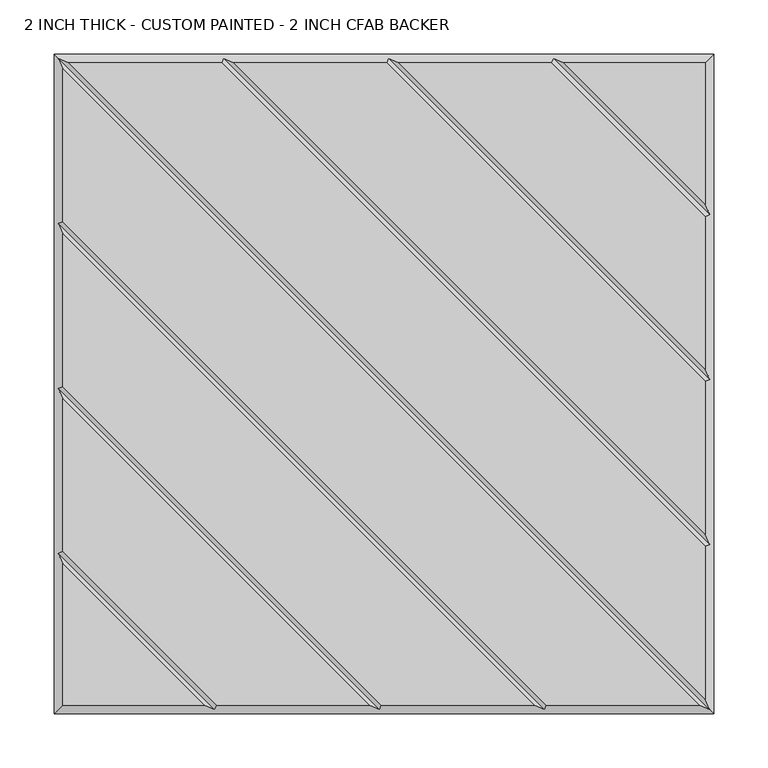
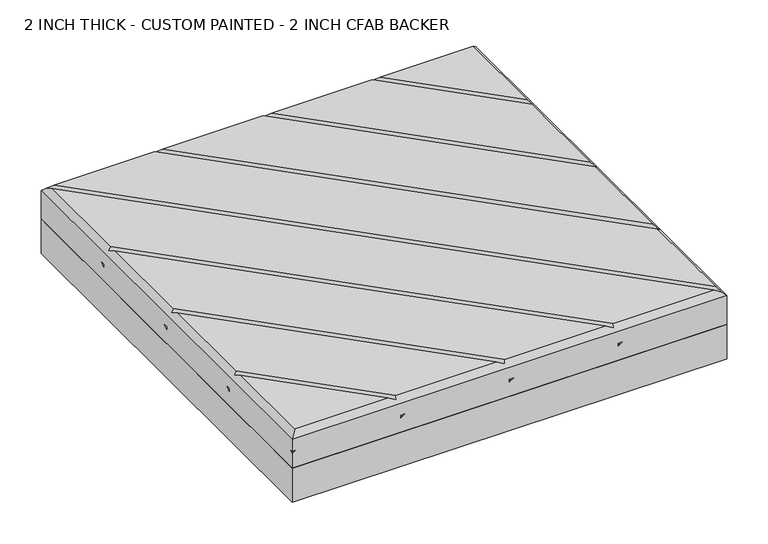
"""IFC4 building model written with IfcOpenShell, lengths in millimetres: proxy geometry, 2 INCH THICK - CUSTOM PAINTED - 2 INCH CFAB BACKER."""

import ifcopenshell
import ifcopenshell.guid

model = None  # the IFC model being written
_history = None  # IfcOwnerHistory: only IFC2X3 demands one
_inside = {}  # id of a spatial element -> (the spatial element, [elements in it])
_under = {}  # id of a project, library or spatial element -> (it, [spatial elements below it])
_declared = {}  # id of a project -> (the project, [libraries it declares])
_typed = {}  # id of a type object -> (the type object, [elements of that type])
_made_of = {}  # id of a material, layer set ... -> (it, [elements and type objects made of it])


def new_model(schema):
    """Start an empty IFC model of exactly this schema.

    Asked for "IFC4X3", IfcOpenShell would pick the latest addendum, in which some entities
    have other attributes; the version numbers below select the first issue.
    IFC2X3 requires an IfcOwnerHistory on every rooted entity: one is made here for all.
    """
    global model, _history
    if schema == "IFC4X3":
        model = ifcopenshell.file(schema_version=(4, 3, 0, 0))
    else:
        model = ifcopenshell.file(schema=schema)
    _inside.clear()
    _under.clear()
    _declared.clear()
    _typed.clear()
    _made_of.clear()
    _history = None
    if model.schema == "IFC2X3":
        org = make("IfcOrganization", Name="unknown")
        user = make(
            "IfcPersonAndOrganization",
            ThePerson=make("IfcPerson", FamilyName="unknown"),
            TheOrganization=org,
        )
        app = make(
            "IfcApplication",
            ApplicationDeveloper=org,
            Version="unknown",
            ApplicationFullName="unknown",
            ApplicationIdentifier="unknown",
        )
        _history = make(
            "IfcOwnerHistory",
            OwningUser=user,
            OwningApplication=app,
            ChangeAction="ADDED",
            CreationDate=0,
        )
    return model


def make(cls, **values):
    """One entity of the class cls with the attributes given. An attribute that is None is left unset."""
    return model.create_entity(
        cls, **{name: value for name, value in values.items() if value is not None}
    )


def rooted(cls, **values):
    """An entity with a GlobalId (a new one), such as an element, a storey or a relation."""
    return make(cls, GlobalId=ifcopenshell.guid.new(), OwnerHistory=_history, **values)


def si_unit(unit_type, name, prefix=None):
    """IfcSIUnit, for example si_unit("LENGTHUNIT", "METRE", prefix="MILLI")."""
    return make("IfcSIUnit", UnitType=unit_type, Prefix=prefix, Name=name)


def assignment(units):
    """IfcUnitAssignment: the units of a project."""
    return None if units is None else make("IfcUnitAssignment", Units=units)


def point(xyz):
    """IfcCartesianPoint."""
    return None if xyz is None else make("IfcCartesianPoint", Coordinates=xyz)


def direction(xyz):
    """IfcDirection."""
    return None if xyz is None else make("IfcDirection", DirectionRatios=xyz)


def frame(location, z_axis=None, x_axis=None):
    """IfcAxis2Placement3D, a coordinate frame: its origin and axes. An axis left out is left unset."""
    return make(
        "IfcAxis2Placement3D",
        Location=point(location),
        Axis=direction(z_axis),
        RefDirection=direction(x_axis),
    )


def origin():
    """The frame at (0, 0, 0) with its axes left unset."""
    return frame((0.0, 0.0, 0.0))


def place(relative_to, where):
    """IfcLocalPlacement: puts the frame where relative to a parent placement (None: the world)."""
    return make(
        "IfcLocalPlacement", PlacementRelTo=relative_to, RelativePlacement=where
    )


def context(
    kind, dimensions, precision=None, world=None, true_north=None, identifier=None
):
    """IfcGeometricRepresentationContext, for example the 3D "Model" context."""
    return make(
        "IfcGeometricRepresentationContext",
        ContextIdentifier=identifier,
        ContextType=kind,
        CoordinateSpaceDimension=dimensions,
        Precision=precision,
        WorldCoordinateSystem=world,
        TrueNorth=true_north,
    )


def project(units=None, contexts=None):
    """IfcProject with its units and contexts."""
    return rooted(
        "IfcProject",
        Name="project",
        RepresentationContexts=contexts,
        UnitsInContext=assignment(units),
    )


def spatial(cls, under=None, at=None, **own):
    """A site, building, storey or space (cls), placed at a placement, below another one or the project."""
    s = rooted(cls, ObjectPlacement=at, **own)
    if under is not None:
        _under.setdefault(under.id(), (under, []))[1].append(s)
    return s


def polyline(points):
    """IfcPolyline through the points."""
    return make("IfcPolyline", Points=[point(p) for p in points])


def outline(outer, holes=None, kind="AREA"):
    """IfcArbitraryClosedProfileDef: a profile drawn as a closed curve; with holes, ...WithVoids."""
    if holes is None:
        return make("IfcArbitraryClosedProfileDef", ProfileType=kind, OuterCurve=outer)
    return make(
        "IfcArbitraryProfileDefWithVoids",
        ProfileType=kind,
        OuterCurve=outer,
        InnerCurves=holes,
    )


def extrude(swept, where, along, depth):
    """IfcExtrudedAreaSolid: the profile swept, set in the frame where, extruded along a direction by depth."""
    return make(
        "IfcExtrudedAreaSolid",
        SweptArea=swept,
        Position=where,
        ExtrudedDirection=direction(along),
        Depth=depth,
    )


def faces_of(points, faces, orient=None, outer=None):
    """IfcFace entities. A face is a list of loops; a loop is a list of indices into points, from 0.

    orient and outer hold one flag for each loop. By default every Orientation is true, the
    first loop of a face is its IfcFaceOuterBound and the others are IfcFaceBound.
    """
    made = []
    for i, loops in enumerate(faces):
        bounds = []
        for j, loop in enumerate(loops):
            is_outer = j == 0 if outer is None else outer[i][j]
            bounds.append(
                make(
                    "IfcFaceOuterBound" if is_outer else "IfcFaceBound",
                    Bound=make("IfcPolyLoop", Polygon=[points[k] for k in loop]),
                    Orientation=True if orient is None else orient[i][j],
                )
            )
        made.append(make("IfcFace", Bounds=bounds))
    return made


def faceted_brep(points, faces, orient=None, outer=None, voids=None):
    """IfcFacetedBrep: a solid bounded by flat faces; with voids (closed shells), ...WithVoids."""
    shared = [point(p) for p in points]
    hull = make("IfcClosedShell", CfsFaces=faces_of(shared, faces, orient, outer))
    if voids is None:
        return make("IfcFacetedBrep", Outer=hull)
    return make(
        "IfcFacetedBrepWithVoids",
        Outer=hull,
        Voids=[
            make(cls, CfsFaces=faces_of(shared, fs, o, b)) for cls, fs, o, b in voids
        ],
    )


def shape(context_of_items, identifier, shape_type, items):
    """IfcShapeRepresentation: the items that make up one representation, for example the "Body"."""
    return make(
        "IfcShapeRepresentation",
        ContextOfItems=context_of_items,
        RepresentationIdentifier=identifier,
        RepresentationType=shape_type,
        Items=items,
    )


def source(mapping_origin, context_of_items, identifier, shape_type, items):
    """IfcRepresentationMap: a shape defined once, which mapped items show again and again."""
    return make(
        "IfcRepresentationMap",
        MappingOrigin=mapping_origin,
        MappedRepresentation=shape(context_of_items, identifier, shape_type, items),
    )


def transform(
    local_origin,
    x_axis=None,
    y_axis=None,
    z_axis=None,
    scale=None,
    scale2=None,
    scale3=None,
    uniform=True,
):
    """IfcCartesianTransformationOperator3D, or its non-uniform kind. x_axis, y_axis, z_axis: its Axis1, 2, 3."""
    if uniform:
        return make(
            "IfcCartesianTransformationOperator3D",
            Axis1=direction(x_axis),
            Axis2=direction(y_axis),
            LocalOrigin=point(local_origin),
            Scale=scale,
            Axis3=direction(z_axis),
        )
    return make(
        "IfcCartesianTransformationOperator3DnonUniform",
        Axis1=direction(x_axis),
        Axis2=direction(y_axis),
        LocalOrigin=point(local_origin),
        Scale=scale,
        Axis3=direction(z_axis),
        Scale2=scale2,
        Scale3=scale3,
    )


def mapped(mapping_source, mapping_target):
    """IfcMappedItem: shows the shape of a source again, moved by a transform."""
    return make(
        "IfcMappedItem", MappingSource=mapping_source, MappingTarget=mapping_target
    )


def made_of(thing, what):
    """Note that an element or type object is made of a material, layer set ...; save() writes the relation."""
    if what is not None:
        _made_of.setdefault(what.id(), (what, []))[1].append(thing)
    return thing


def element(
    cls,
    number,
    at=None,
    inside=None,
    cuts=None,
    type_object=None,
    material=None,
    context=None,
    identifier="Body",
    shape_type=None,
    held_by="IfcProductDefinitionShape",
    body=None,
    shapes=None,
    **own,
):
    """One element of the class cls, such as IfcWall. Its Tag is "e" and its number.

    at: its placement. inside: the storey or other place that contains it. cuts: it is an
    opening in that element (IfcRelVoidsElement). A single representation is given by context,
    identifier, shape_type and body (its items); several are given by shapes. held_by: the class
    of the entity that holds the representations. save() writes the other relations.
    """
    e = rooted(cls, Tag="e%d" % number, ObjectPlacement=at, **own)
    if body is not None:
        shapes = [shape(context, identifier, shape_type, body)]
    if shapes is not None:
        e.Representation = make(held_by, Representations=shapes)
    if inside is not None:
        _inside.setdefault(inside.id(), (inside, []))[1].append(e)
    if cuts is not None:
        rooted(
            "IfcRelVoidsElement", RelatingBuildingElement=cuts, RelatedOpeningElement=e
        )
    if type_object is not None:
        _typed.setdefault(type_object.id(), (type_object, []))[1].append(e)
    return made_of(e, material)


def aggregate(whole, parts):
    """IfcRelAggregates: a whole, such as a stair, and the parts it consists of."""
    return rooted("IfcRelAggregates", RelatingObject=whole, RelatedObjects=parts)


def save(model, path):
    """Write the relations noted so far, then the file.

    IfcRelAggregates (storeys below a building ...), IfcRelContainedInSpatialStructure (elements
    in a storey), IfcRelDefinesByType, IfcRelAssociatesMaterial and IfcRelDeclares: one each for
    every whole, place, type object, material and project.
    """
    for whole, parts in _under.values():
        aggregate(whole, parts)
    for where, things in _inside.values():
        rooted(
            "IfcRelContainedInSpatialStructure",
            RelatedElements=things,
            RelatingStructure=where,
        )
    for kind, things in _typed.values():
        rooted("IfcRelDefinesByType", RelatedObjects=things, RelatingType=kind)
    for what, things in _made_of.values():
        rooted("IfcRelAssociatesMaterial", RelatedObjects=things, RelatingMaterial=what)
    for by, libraries in _declared.values():
        rooted("IfcRelDeclares", RelatingContext=by, RelatedDefinitions=libraries)
    model.write(path)


def proxy_2_inch_thick_custom_painted_2_inch_cfab_backer_b68ef446(model_context):
    return source(origin(), model_context, "Body", "SolidModel", [
        extrude(outline(polyline([(-304.8, 304.8), (304.8, 304.8), (304.8, -304.8), (-304.8, -304.8), (-304.8, 304.8)])), frame((0.0, 0.0, -50.8), z_axis=(0.0, 0.0, 1.0), x_axis=(1.0, 0.0, 0.0)), (0.0, 0.0, 1.0), 50.8),
        faceted_brep([(296.799, 154.7434623, 50.8), (154.743415, 296.799, 50.8), (13.6585378, 296.799, 50.8), (296.799, 13.658585, 50.8), (296.799, 2.3434632, 50.8), (2.3434141, 296.799, 50.8), (-138.7414628, 296.799, 50.8), (296.799, -138.7414144, 50.8), (296.799, -150.0565365, 50.8), (-150.0565862, 296.799, 50.8), (-291.1414386, 296.799, 50.8), (296.799, -291.1414386, 50.8), (291.1414386, -296.799, 50.8), (-296.799, 291.1414386, 50.8), (-296.799, 150.0565868, 50.8), (150.0565868, -296.799, 50.8), (138.741464, -296.799, 50.8), (-296.799, 138.741464, 50.8), (-296.799, -2.3434137, 50.8), (-2.3434382, -296.799, 50.8), (-13.6585605, -296.799, 50.8), (-296.799, -13.6585369, 50.8), (-296.799, -154.7434305, 50.8), (-154.743904, -296.799, 50.8), (296.799, 296.799, 50.8), (166.0585396, 296.799, 50.8), (296.799, 166.0585831, 50.8), (-296.799, -166.0585721, 50.8), (-296.799, -296.799, 50.8), (-166.0590079, -296.799, 50.8), (-304.8, 304.8, 0.0), (304.8, 304.8, 0.0), (304.8, -304.8, 0.0), (-304.8, -304.8, 0.0), (-304.8, -304.8, 21.3995359), (-304.8, -299.1424894, 25.4), (-304.8, -304.8, 25.4), (-304.8, -304.8, 42.799), (-304.8, 304.8, 42.799), (-304.8, -152.3999238, 21.3996078), (-304.8, -146.7425148, 25.4), (-304.8, -152.3999238, 25.4), (-304.8, 7.62e-05, 21.3996078), (-304.8, 5.6574852, 25.4), (-304.8, 7.62e-05, 25.4), (-304.8, 152.4000762, 21.3996078), (-304.8, 158.0574852, 25.4), (-304.8, 152.4000762, 25.4), (304.8, -304.8, 42.799), (-299.1423878, -304.8, 25.4), (-146.7424132, -304.8, 25.4), (-152.3999577, -304.8, 21.399512), (-152.3999238, -304.8, 25.4), (5.6575868, -304.8, 25.4), (4.23e-05, -304.8, 21.399512), (7.62e-05, -304.8, 25.4), (158.0575868, -304.8, 25.4), (152.4000423, -304.8, 21.399512), (152.4000762, -304.8, 25.4), (304.8, 304.8, 21.3995359), (304.8, 299.1423878, 25.4), (304.8, 304.8, 25.4), (304.8, 304.8, 42.799), (304.8, 152.4000762, 25.4), (304.8, 152.4000762, 21.3995), (304.8, 146.7424132, 25.4), (304.8, 7.62e-05, 25.4), (304.8, 7.62e-05, 21.3995), (304.8, -5.6575868, 25.4), (304.8, -152.3999238, 25.4), (304.8, -152.3999238, 21.3995), (304.8, -158.0575868, 25.4), (299.1424894, 304.8, 25.4), (152.4000762, 304.8, 21.3995), (152.4000762, 304.8, 25.4), (146.7425148, 304.8, 25.4), (7.62e-05, 304.8, 21.3995), (7.62e-05, 304.8, 25.4), (-5.6574852, 304.8, 25.4), (-152.3999238, 304.8, 21.3995), (-152.3999238, 304.8, 25.4), (-158.0574852, 304.8, 25.4), (-300.7995, 300.7995, 46.7995), (-148.399525, 300.7995, 46.7995), (4.0004753, 300.7995, 46.7995), (156.4004759, 300.7995, 46.7995), (-300.7995, -156.4004879, 46.7995), (-300.7995, -4.0004749, 46.7995), (-300.7995, 148.3995254, 46.7995), (300.7995, -300.7995, 46.7995), (148.3995254, -300.7995, 46.7995), (-4.0004997, -300.7995, 46.7995), (-156.4009693, -300.7995, 46.7995), (300.7995, 156.4005241, 46.7995), (300.7995, 4.0005247, 46.7995), (300.7995, -148.399475, 46.7995), (301.9712701, 155.2288061, 25.4), (-155.2287299, -301.9711939, 25.4), (301.9712701, 2.8288061, 25.4), (-2.8287299, -301.9711939, 25.4), (301.9712701, -149.5711939, 25.4), (149.5712701, -301.9711939, 25.4), (155.2288569, 301.9712193, 25.4), (-301.9711431, -155.2287807, 25.4), (2.8288569, 301.9712193, 25.4), (-301.9711431, -2.8287807, 25.4), (-149.5711431, 301.9712193, 25.4), (-301.9711431, 149.5712193, 25.4)], [[[0, 1, 2, 3]], [[4, 5, 6, 7]], [[8, 9, 10, 11]], [[12, 13, 14, 15]], [[16, 17, 18, 19]], [[20, 21, 22, 23]], [[24, 25, 26]], [[27, 28, 29]], [[30, 31, 32, 33]], [[30, 33, 34, 35, 36, 37, 38], [39, 40, 41], [42, 43, 44], [45, 46, 47]], [[33, 32, 48, 37, 36, 49, 34], [50, 51, 52], [53, 54, 55], [56, 57, 58]], [[32, 31, 59, 60, 61, 62, 48], [63, 64, 65], [66, 67, 68], [69, 70, 71]], [[31, 30, 38, 62, 61, 72, 59], [73, 74, 75], [76, 77, 78], [79, 80, 81]], [[24, 62, 38, 82, 10, 9, 83, 6, 5, 84, 2, 1, 85, 25]], [[37, 28, 27, 86, 22, 21, 87, 18, 17, 88, 14, 13, 82, 38]], [[28, 37, 48, 89, 12, 15, 90, 16, 19, 91, 20, 23, 92, 29]], [[62, 24, 26, 93, 0, 3, 94, 4, 7, 95, 8, 11, 89, 48]], [[34, 59, 72, 35]], [[59, 34, 49, 60]], [[64, 96, 97, 51]], [[64, 51, 50, 65]], [[67, 98, 99, 54]], [[67, 54, 53, 68]], [[70, 100, 101, 57]], [[70, 57, 56, 71]], [[102, 73, 39, 103]], [[39, 73, 75, 40]], [[104, 76, 42, 105]], [[42, 76, 78, 43]], [[106, 79, 45, 107]], [[45, 79, 81, 46]], [[93, 85, 1, 0]], [[85, 93, 26, 25]], [[94, 84, 5, 4]], [[84, 94, 3, 2]], [[95, 83, 9, 8]], [[83, 95, 7, 6]], [[82, 89, 11, 10]], [[89, 82, 13, 12]], [[88, 90, 15, 14]], [[90, 88, 17, 16]], [[87, 91, 19, 18]], [[91, 87, 21, 20]], [[86, 92, 23, 22]], [[92, 86, 27, 29]], [[60, 49, 36, 35, 72, 61]], [[96, 64, 63]], [[97, 96, 63, 65, 50, 52]], [[51, 97, 52]], [[98, 67, 66]], [[99, 98, 66, 68, 53, 55]], [[54, 99, 55]], [[100, 70, 69]], [[101, 100, 69, 71, 56, 58]], [[57, 101, 58]], [[73, 102, 74]], [[102, 103, 41, 40, 75, 74]], [[103, 39, 41]], [[76, 104, 77]], [[104, 105, 44, 43, 78, 77]], [[105, 42, 44]], [[79, 106, 80]], [[106, 107, 47, 46, 81, 80]], [[107, 45, 47]]]),
    ])


if __name__ == "__main__":
    model = new_model("IFC4")
    model_context = context("Model", 3, world=origin())
    ifc_project = project(units=[si_unit("LENGTHUNIT", "METRE", prefix="MILLI")], contexts=[model_context])
    site = spatial("IfcSite", under=ifc_project)
    building = spatial("IfcBuilding", under=site)
    placement = place(None, origin())
    proxy_2_inch_thick_custom_painted_2_inch_cfab_backer_shape = proxy_2_inch_thick_custom_painted_2_inch_cfab_backer_b68ef446(model_context)
    element("IfcBuildingElementProxy", 1, Name="2 INCH THICK - CUSTOM PAINTED - 2 INCH CFAB BACKER", ObjectType="2 INCH THICK - CUSTOM PAINTED - 2 INCH CFAB BACKER", at=placement, inside=building, context=model_context, shape_type="MappedRepresentation", body=[
        mapped(proxy_2_inch_thick_custom_painted_2_inch_cfab_backer_shape, transform((0.0, 0.0, 0.0), x_axis=(1.0, 0.0, 0.0), y_axis=(0.0, 1.0, 0.0), z_axis=(0.0, 0.0, 1.0))),
    ])
    save(model, "model.ifc")
